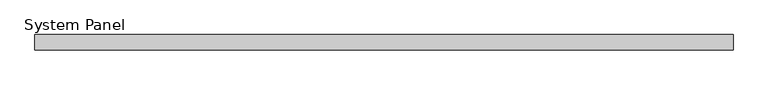
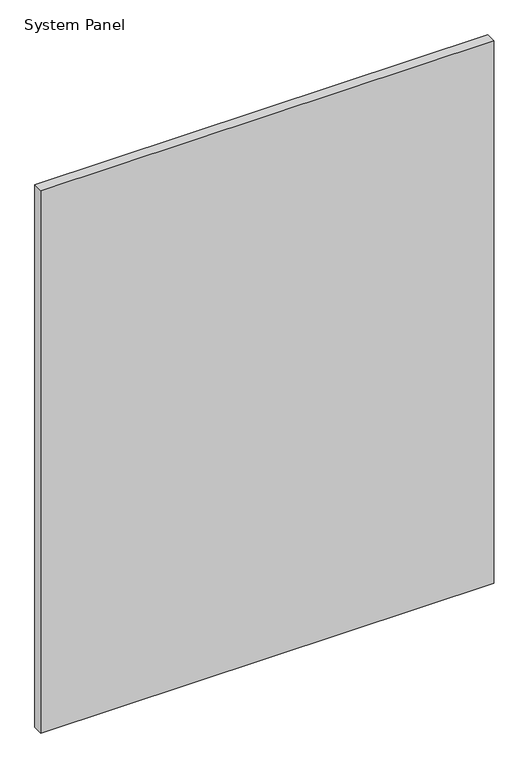
"""IFC4 building model written with IfcOpenShell, lengths in millimetres: plate geometry, System Panel."""

from ifc_helpers import new_model, si_unit, origin, origin_with_axes, place, context, project, spatial, polyline, outline, extrude, source, transform, mapped, element, save


def system_panel_2fe1b9b6(model_context):
    return source(origin(), model_context, "Body", "SweptSolid", [
        extrude(outline(polyline([(576.2664725, -0.85), (-576.2664725, -0.85), (-576.2664725, 24.45), (576.2664725, 24.45), (576.2664725, -0.85)])), origin_with_axes(), (0.0, 0.0, 1.0), 1458.8871),
    ])


if __name__ == "__main__":
    model = new_model("IFC4")
    model_context = context("Model", 3, world=origin())
    ifc_project = project(units=[si_unit("LENGTHUNIT", "METRE", prefix="MILLI")], contexts=[model_context])
    site = spatial("IfcSite", under=ifc_project)
    building = spatial("IfcBuilding", under=site)
    placement = place(None, origin())
    system_panel_shape = system_panel_2fe1b9b6(model_context)
    element("IfcPlate", 1, ObjectType="System Panel", at=placement, inside=building, context=model_context, shape_type="MappedRepresentation", body=[
        mapped(system_panel_shape, transform((0.0, 0.0, 0.0), x_axis=(1.0, 0.0, 0.0), y_axis=(0.0, 1.0, 0.0), z_axis=(0.0, 0.0, 1.0))),
    ])
    save(model, "model.ifc")
